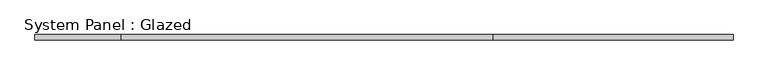
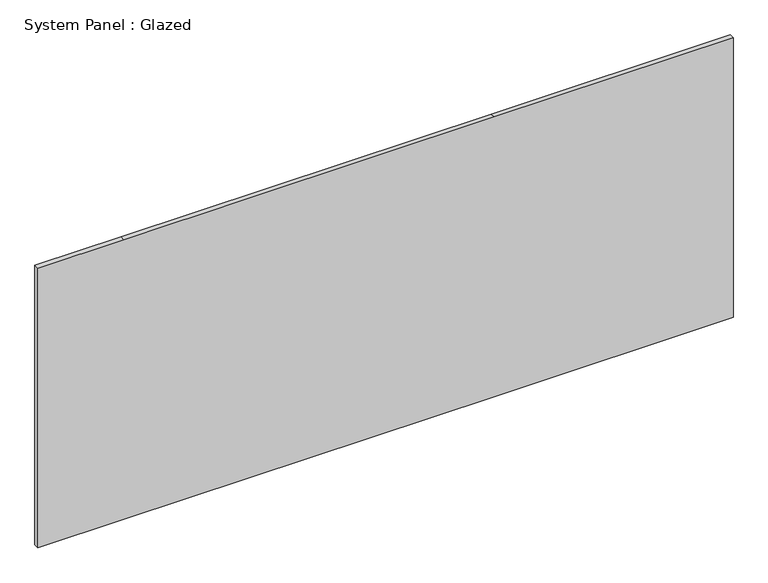
"""IFC4 building model written with IfcOpenShell, lengths in millimetres: plate geometry, System Panel : Glazed."""

import ifcopenshell
import ifcopenshell.guid

model = None  # the IFC model being written
_history = None  # IfcOwnerHistory: only IFC2X3 demands one
_inside = {}  # id of a spatial element -> (the spatial element, [elements in it])
_under = {}  # id of a project, library or spatial element -> (it, [spatial elements below it])
_declared = {}  # id of a project -> (the project, [libraries it declares])
_typed = {}  # id of a type object -> (the type object, [elements of that type])
_made_of = {}  # id of a material, layer set ... -> (it, [elements and type objects made of it])


def new_model(schema):
    """Start an empty IFC model of exactly this schema.

    Asked for "IFC4X3", IfcOpenShell would pick the latest addendum, in which some entities
    have other attributes; the version numbers below select the first issue.
    IFC2X3 requires an IfcOwnerHistory on every rooted entity: one is made here for all.
    """
    global model, _history
    if schema == "IFC4X3":
        model = ifcopenshell.file(schema_version=(4, 3, 0, 0))
    else:
        model = ifcopenshell.file(schema=schema)
    _inside.clear()
    _under.clear()
    _declared.clear()
    _typed.clear()
    _made_of.clear()
    _history = None
    if model.schema == "IFC2X3":
        org = make("IfcOrganization", Name="unknown")
        user = make(
            "IfcPersonAndOrganization",
            ThePerson=make("IfcPerson", FamilyName="unknown"),
            TheOrganization=org,
        )
        app = make(
            "IfcApplication",
            ApplicationDeveloper=org,
            Version="unknown",
            ApplicationFullName="unknown",
            ApplicationIdentifier="unknown",
        )
        _history = make(
            "IfcOwnerHistory",
            OwningUser=user,
            OwningApplication=app,
            ChangeAction="ADDED",
            CreationDate=0,
        )
    return model


def make(cls, **values):
    """One entity of the class cls with the attributes given. An attribute that is None is left unset."""
    return model.create_entity(
        cls, **{name: value for name, value in values.items() if value is not None}
    )


def rooted(cls, **values):
    """An entity with a GlobalId (a new one), such as an element, a storey or a relation."""
    return make(cls, GlobalId=ifcopenshell.guid.new(), OwnerHistory=_history, **values)


def si_unit(unit_type, name, prefix=None):
    """IfcSIUnit, for example si_unit("LENGTHUNIT", "METRE", prefix="MILLI")."""
    return make("IfcSIUnit", UnitType=unit_type, Prefix=prefix, Name=name)


def assignment(units):
    """IfcUnitAssignment: the units of a project."""
    return None if units is None else make("IfcUnitAssignment", Units=units)


def point(xyz):
    """IfcCartesianPoint."""
    return None if xyz is None else make("IfcCartesianPoint", Coordinates=xyz)


def direction(xyz):
    """IfcDirection."""
    return None if xyz is None else make("IfcDirection", DirectionRatios=xyz)


def frame(location, z_axis=None, x_axis=None):
    """IfcAxis2Placement3D, a coordinate frame: its origin and axes. An axis left out is left unset."""
    return make(
        "IfcAxis2Placement3D",
        Location=point(location),
        Axis=direction(z_axis),
        RefDirection=direction(x_axis),
    )


def origin():
    """The frame at (0, 0, 0) with its axes left unset."""
    return frame((0.0, 0.0, 0.0))


def place(relative_to, where):
    """IfcLocalPlacement: puts the frame where relative to a parent placement (None: the world)."""
    return make(
        "IfcLocalPlacement", PlacementRelTo=relative_to, RelativePlacement=where
    )


def context(
    kind, dimensions, precision=None, world=None, true_north=None, identifier=None
):
    """IfcGeometricRepresentationContext, for example the 3D "Model" context."""
    return make(
        "IfcGeometricRepresentationContext",
        ContextIdentifier=identifier,
        ContextType=kind,
        CoordinateSpaceDimension=dimensions,
        Precision=precision,
        WorldCoordinateSystem=world,
        TrueNorth=true_north,
    )


def project(units=None, contexts=None):
    """IfcProject with its units and contexts."""
    return rooted(
        "IfcProject",
        Name="project",
        RepresentationContexts=contexts,
        UnitsInContext=assignment(units),
    )


def spatial(cls, under=None, at=None, **own):
    """A site, building, storey or space (cls), placed at a placement, below another one or the project."""
    s = rooted(cls, ObjectPlacement=at, **own)
    if under is not None:
        _under.setdefault(under.id(), (under, []))[1].append(s)
    return s


def polyline(points):
    """IfcPolyline through the points."""
    return make("IfcPolyline", Points=[point(p) for p in points])


def outline(outer, holes=None, kind="AREA"):
    """IfcArbitraryClosedProfileDef: a profile drawn as a closed curve; with holes, ...WithVoids."""
    if holes is None:
        return make("IfcArbitraryClosedProfileDef", ProfileType=kind, OuterCurve=outer)
    return make(
        "IfcArbitraryProfileDefWithVoids",
        ProfileType=kind,
        OuterCurve=outer,
        InnerCurves=holes,
    )


def extrude(swept, where, along, depth):
    """IfcExtrudedAreaSolid: the profile swept, set in the frame where, extruded along a direction by depth."""
    return make(
        "IfcExtrudedAreaSolid",
        SweptArea=swept,
        Position=where,
        ExtrudedDirection=direction(along),
        Depth=depth,
    )


def shape(context_of_items, identifier, shape_type, items):
    """IfcShapeRepresentation: the items that make up one representation, for example the "Body"."""
    return make(
        "IfcShapeRepresentation",
        ContextOfItems=context_of_items,
        RepresentationIdentifier=identifier,
        RepresentationType=shape_type,
        Items=items,
    )


def source(mapping_origin, context_of_items, identifier, shape_type, items):
    """IfcRepresentationMap: a shape defined once, which mapped items show again and again."""
    return make(
        "IfcRepresentationMap",
        MappingOrigin=mapping_origin,
        MappedRepresentation=shape(context_of_items, identifier, shape_type, items),
    )


def transform(
    local_origin,
    x_axis=None,
    y_axis=None,
    z_axis=None,
    scale=None,
    scale2=None,
    scale3=None,
    uniform=True,
):
    """IfcCartesianTransformationOperator3D, or its non-uniform kind. x_axis, y_axis, z_axis: its Axis1, 2, 3."""
    if uniform:
        return make(
            "IfcCartesianTransformationOperator3D",
            Axis1=direction(x_axis),
            Axis2=direction(y_axis),
            LocalOrigin=point(local_origin),
            Scale=scale,
            Axis3=direction(z_axis),
        )
    return make(
        "IfcCartesianTransformationOperator3DnonUniform",
        Axis1=direction(x_axis),
        Axis2=direction(y_axis),
        LocalOrigin=point(local_origin),
        Scale=scale,
        Axis3=direction(z_axis),
        Scale2=scale2,
        Scale3=scale3,
    )


def mapped(mapping_source, mapping_target):
    """IfcMappedItem: shows the shape of a source again, moved by a transform."""
    return make(
        "IfcMappedItem", MappingSource=mapping_source, MappingTarget=mapping_target
    )


def made_of(thing, what):
    """Note that an element or type object is made of a material, layer set ...; save() writes the relation."""
    if what is not None:
        _made_of.setdefault(what.id(), (what, []))[1].append(thing)
    return thing


def element(
    cls,
    number,
    at=None,
    inside=None,
    cuts=None,
    type_object=None,
    material=None,
    context=None,
    identifier="Body",
    shape_type=None,
    held_by="IfcProductDefinitionShape",
    body=None,
    shapes=None,
    **own,
):
    """One element of the class cls, such as IfcWall. Its Tag is "e" and its number.

    at: its placement. inside: the storey or other place that contains it. cuts: it is an
    opening in that element (IfcRelVoidsElement). A single representation is given by context,
    identifier, shape_type and body (its items); several are given by shapes. held_by: the class
    of the entity that holds the representations. save() writes the other relations.
    """
    e = rooted(cls, Tag="e%d" % number, ObjectPlacement=at, **own)
    if body is not None:
        shapes = [shape(context, identifier, shape_type, body)]
    if shapes is not None:
        e.Representation = make(held_by, Representations=shapes)
    if inside is not None:
        _inside.setdefault(inside.id(), (inside, []))[1].append(e)
    if cuts is not None:
        rooted(
            "IfcRelVoidsElement", RelatingBuildingElement=cuts, RelatedOpeningElement=e
        )
    if type_object is not None:
        _typed.setdefault(type_object.id(), (type_object, []))[1].append(e)
    return made_of(e, material)


def aggregate(whole, parts):
    """IfcRelAggregates: a whole, such as a stair, and the parts it consists of."""
    return rooted("IfcRelAggregates", RelatingObject=whole, RelatedObjects=parts)


def save(model, path):
    """Write the relations noted so far, then the file.

    IfcRelAggregates (storeys below a building ...), IfcRelContainedInSpatialStructure (elements
    in a storey), IfcRelDefinesByType, IfcRelAssociatesMaterial and IfcRelDeclares: one each for
    every whole, place, type object, material and project.
    """
    for whole, parts in _under.values():
        aggregate(whole, parts)
    for where, things in _inside.values():
        rooted(
            "IfcRelContainedInSpatialStructure",
            RelatedElements=things,
            RelatingStructure=where,
        )
    for kind, things in _typed.values():
        rooted("IfcRelDefinesByType", RelatedObjects=things, RelatingType=kind)
    for what, things in _made_of.values():
        rooted("IfcRelAssociatesMaterial", RelatedObjects=things, RelatingMaterial=what)
    for by, libraries in _declared.values():
        rooted("IfcRelDeclares", RelatingContext=by, RelatedDefinitions=libraries)
    model.write(path)


def system_panel_glazed_eefb0661(model_context):
    return source(origin(), model_context, "Body", "SweptSolid", [
        extrude(outline(polyline([(0.0, -1717.4825378), (0.0, -1292.0325378), (0.0, 536.7674622), (0.0, 1717.4825378), (1460.5, 1717.4825378), (1460.5, 536.7674622), (1460.5, -1292.0325378), (1460.5, -1717.4825378), (0.0, -1717.4825378)])), frame((0.0, 19.05, 0.0), z_axis=(0.0, 1.0, 0.0), x_axis=(0.0, 0.0, 1.0)), (0.0, 0.0, 1.0), 25.4),
    ])


if __name__ == "__main__":
    model = new_model("IFC4")
    model_context = context("Model", 3, world=origin())
    ifc_project = project(units=[si_unit("LENGTHUNIT", "METRE", prefix="MILLI")], contexts=[model_context])
    site = spatial("IfcSite", under=ifc_project)
    building = spatial("IfcBuilding", under=site)
    placement = place(None, origin())
    system_panel_glazed_shape = system_panel_glazed_eefb0661(model_context)
    element("IfcPlate", 1, ObjectType="System Panel : Glazed", at=placement, inside=building, context=model_context, shape_type="MappedRepresentation", body=[
        mapped(system_panel_glazed_shape, transform((0.0, 0.0, 0.0), x_axis=(1.0, 0.0, 0.0), y_axis=(0.0, 1.0, 0.0), z_axis=(0.0, 0.0, 1.0))),
    ])
    save(model, "model.ifc")
